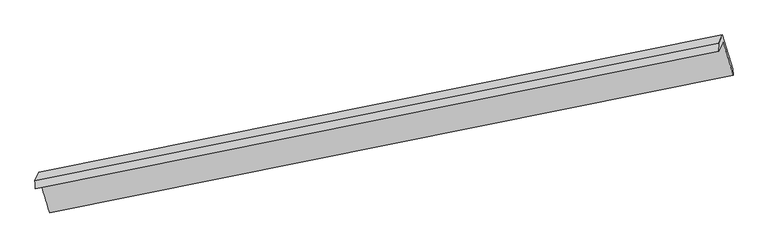
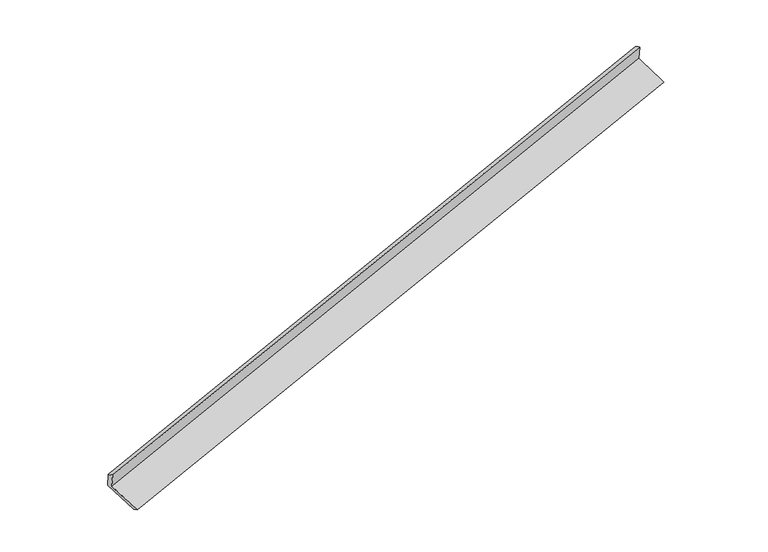
"""IFC4 building model written with IfcOpenShell, lengths in millimetres: proxy geometry."""

import ifcopenshell
import ifcopenshell.guid

model = None  # the IFC model being written
_history = None  # IfcOwnerHistory: only IFC2X3 demands one
_inside = {}  # id of a spatial element -> (the spatial element, [elements in it])
_under = {}  # id of a project, library or spatial element -> (it, [spatial elements below it])
_declared = {}  # id of a project -> (the project, [libraries it declares])
_typed = {}  # id of a type object -> (the type object, [elements of that type])
_made_of = {}  # id of a material, layer set ... -> (it, [elements and type objects made of it])


def new_model(schema):
    """Start an empty IFC model of exactly this schema.

    Asked for "IFC4X3", IfcOpenShell would pick the latest addendum, in which some entities
    have other attributes; the version numbers below select the first issue.
    IFC2X3 requires an IfcOwnerHistory on every rooted entity: one is made here for all.
    """
    global model, _history
    if schema == "IFC4X3":
        model = ifcopenshell.file(schema_version=(4, 3, 0, 0))
    else:
        model = ifcopenshell.file(schema=schema)
    _inside.clear()
    _under.clear()
    _declared.clear()
    _typed.clear()
    _made_of.clear()
    _history = None
    if model.schema == "IFC2X3":
        org = make("IfcOrganization", Name="unknown")
        user = make(
            "IfcPersonAndOrganization",
            ThePerson=make("IfcPerson", FamilyName="unknown"),
            TheOrganization=org,
        )
        app = make(
            "IfcApplication",
            ApplicationDeveloper=org,
            Version="unknown",
            ApplicationFullName="unknown",
            ApplicationIdentifier="unknown",
        )
        _history = make(
            "IfcOwnerHistory",
            OwningUser=user,
            OwningApplication=app,
            ChangeAction="ADDED",
            CreationDate=0,
        )
    return model


def make(cls, **values):
    """One entity of the class cls with the attributes given. An attribute that is None is left unset."""
    return model.create_entity(
        cls, **{name: value for name, value in values.items() if value is not None}
    )


def rooted(cls, **values):
    """An entity with a GlobalId (a new one), such as an element, a storey or a relation."""
    return make(cls, GlobalId=ifcopenshell.guid.new(), OwnerHistory=_history, **values)


def si_unit(unit_type, name, prefix=None):
    """IfcSIUnit, for example si_unit("LENGTHUNIT", "METRE", prefix="MILLI")."""
    return make("IfcSIUnit", UnitType=unit_type, Prefix=prefix, Name=name)


def assignment(units):
    """IfcUnitAssignment: the units of a project."""
    return None if units is None else make("IfcUnitAssignment", Units=units)


def point(xyz):
    """IfcCartesianPoint."""
    return None if xyz is None else make("IfcCartesianPoint", Coordinates=xyz)


def direction(xyz):
    """IfcDirection."""
    return None if xyz is None else make("IfcDirection", DirectionRatios=xyz)


def frame(location, z_axis=None, x_axis=None):
    """IfcAxis2Placement3D, a coordinate frame: its origin and axes. An axis left out is left unset."""
    return make(
        "IfcAxis2Placement3D",
        Location=point(location),
        Axis=direction(z_axis),
        RefDirection=direction(x_axis),
    )


def origin():
    """The frame at (0, 0, 0) with its axes left unset."""
    return frame((0.0, 0.0, 0.0))


def place(relative_to, where):
    """IfcLocalPlacement: puts the frame where relative to a parent placement (None: the world)."""
    return make(
        "IfcLocalPlacement", PlacementRelTo=relative_to, RelativePlacement=where
    )


def context(
    kind, dimensions, precision=None, world=None, true_north=None, identifier=None
):
    """IfcGeometricRepresentationContext, for example the 3D "Model" context."""
    return make(
        "IfcGeometricRepresentationContext",
        ContextIdentifier=identifier,
        ContextType=kind,
        CoordinateSpaceDimension=dimensions,
        Precision=precision,
        WorldCoordinateSystem=world,
        TrueNorth=true_north,
    )


def project(units=None, contexts=None):
    """IfcProject with its units and contexts."""
    return rooted(
        "IfcProject",
        Name="project",
        RepresentationContexts=contexts,
        UnitsInContext=assignment(units),
    )


def spatial(cls, under=None, at=None, **own):
    """A site, building, storey or space (cls), placed at a placement, below another one or the project."""
    s = rooted(cls, ObjectPlacement=at, **own)
    if under is not None:
        _under.setdefault(under.id(), (under, []))[1].append(s)
    return s


def shape(context_of_items, identifier, shape_type, items):
    """IfcShapeRepresentation: the items that make up one representation, for example the "Body"."""
    return make(
        "IfcShapeRepresentation",
        ContextOfItems=context_of_items,
        RepresentationIdentifier=identifier,
        RepresentationType=shape_type,
        Items=items,
    )


def source(mapping_origin, context_of_items, identifier, shape_type, items):
    """IfcRepresentationMap: a shape defined once, which mapped items show again and again."""
    return make(
        "IfcRepresentationMap",
        MappingOrigin=mapping_origin,
        MappedRepresentation=shape(context_of_items, identifier, shape_type, items),
    )


def transform(
    local_origin,
    x_axis=None,
    y_axis=None,
    z_axis=None,
    scale=None,
    scale2=None,
    scale3=None,
    uniform=True,
):
    """IfcCartesianTransformationOperator3D, or its non-uniform kind. x_axis, y_axis, z_axis: its Axis1, 2, 3."""
    if uniform:
        return make(
            "IfcCartesianTransformationOperator3D",
            Axis1=direction(x_axis),
            Axis2=direction(y_axis),
            LocalOrigin=point(local_origin),
            Scale=scale,
            Axis3=direction(z_axis),
        )
    return make(
        "IfcCartesianTransformationOperator3DnonUniform",
        Axis1=direction(x_axis),
        Axis2=direction(y_axis),
        LocalOrigin=point(local_origin),
        Scale=scale,
        Axis3=direction(z_axis),
        Scale2=scale2,
        Scale3=scale3,
    )


def mapped(mapping_source, mapping_target):
    """IfcMappedItem: shows the shape of a source again, moved by a transform."""
    return make(
        "IfcMappedItem", MappingSource=mapping_source, MappingTarget=mapping_target
    )


def made_of(thing, what):
    """Note that an element or type object is made of a material, layer set ...; save() writes the relation."""
    if what is not None:
        _made_of.setdefault(what.id(), (what, []))[1].append(thing)
    return thing


def element(
    cls,
    number,
    at=None,
    inside=None,
    cuts=None,
    type_object=None,
    material=None,
    context=None,
    identifier="Body",
    shape_type=None,
    held_by="IfcProductDefinitionShape",
    body=None,
    shapes=None,
    **own,
):
    """One element of the class cls, such as IfcWall. Its Tag is "e" and its number.

    at: its placement. inside: the storey or other place that contains it. cuts: it is an
    opening in that element (IfcRelVoidsElement). A single representation is given by context,
    identifier, shape_type and body (its items); several are given by shapes. held_by: the class
    of the entity that holds the representations. save() writes the other relations.
    """
    e = rooted(cls, Tag="e%d" % number, ObjectPlacement=at, **own)
    if body is not None:
        shapes = [shape(context, identifier, shape_type, body)]
    if shapes is not None:
        e.Representation = make(held_by, Representations=shapes)
    if inside is not None:
        _inside.setdefault(inside.id(), (inside, []))[1].append(e)
    if cuts is not None:
        rooted(
            "IfcRelVoidsElement", RelatingBuildingElement=cuts, RelatedOpeningElement=e
        )
    if type_object is not None:
        _typed.setdefault(type_object.id(), (type_object, []))[1].append(e)
    return made_of(e, material)


def aggregate(whole, parts):
    """IfcRelAggregates: a whole, such as a stair, and the parts it consists of."""
    return rooted("IfcRelAggregates", RelatingObject=whole, RelatedObjects=parts)


def save(model, path):
    """Write the relations noted so far, then the file.

    IfcRelAggregates (storeys below a building ...), IfcRelContainedInSpatialStructure (elements
    in a storey), IfcRelDefinesByType, IfcRelAssociatesMaterial and IfcRelDeclares: one each for
    every whole, place, type object, material and project.
    """
    for whole, parts in _under.values():
        aggregate(whole, parts)
    for where, things in _inside.values():
        rooted(
            "IfcRelContainedInSpatialStructure",
            RelatedElements=things,
            RelatingStructure=where,
        )
    for kind, things in _typed.values():
        rooted("IfcRelDefinesByType", RelatedObjects=things, RelatingType=kind)
    for what, things in _made_of.values():
        rooted("IfcRelAssociatesMaterial", RelatedObjects=things, RelatingMaterial=what)
    for by, libraries in _declared.values():
        rooted("IfcRelDeclares", RelatingContext=by, RelatedDefinitions=libraries)
    model.write(path)


def plane_surface(at):
    """IfcPlane: the flat surface through the origin of the frame at, square to its z axis."""
    return make("IfcPlane", Position=at)


def spline_surface(u_degree, v_degree, points, u_multiplicities, v_multiplicities, u_knots, v_knots, weights=None):
    """IfcBSplineSurfaceWithKnots; with weights, IfcRationalBSplineSurfaceWithKnots. points: one row for each step in u."""
    own = dict(
        UDegree=u_degree,
        VDegree=v_degree,
        ControlPointsList=[[point(p) for p in row] for row in points],
        SurfaceForm="UNSPECIFIED",
        UClosed=False,
        VClosed=False,
        SelfIntersect=False,
        UMultiplicities=u_multiplicities,
        VMultiplicities=v_multiplicities,
        UKnots=u_knots,
        VKnots=v_knots,
        KnotSpec="UNSPECIFIED",
    )
    if weights is None:
        return make("IfcBSplineSurfaceWithKnots", **own)
    return make("IfcRationalBSplineSurfaceWithKnots", WeightsData=weights, **own)


def advanced_brep(points, edges, surfaces, faces):
    """IfcAdvancedBrep: a solid bounded by faces that lie on surfaces and meet in shared edges.

    An edge is (start, end): straight between two places in points (the first is 0);
    or (start, end, curve); or (start, end, curve, False) where it runs against its curve.
    A face is (place in surfaces, loops), or (place, loops, False) where it looks against
    its surface's normal. A loop lists edges by number (the first is 1), with a minus sign
    where the edge is run from its end to its start. The first loop is the outer one.
    """
    corners = [point(p) for p in points]
    vertices = [make("IfcVertexPoint", VertexGeometry=c) for c in corners]
    made = []
    for start, end, *more in edges:
        made.append(
            make(
                "IfcEdgeCurve",
                EdgeStart=vertices[start],
                EdgeEnd=vertices[end],
                EdgeGeometry=more[0] if more else make("IfcPolyline", Points=[corners[start], corners[end]]),
                SameSense=more[1] if len(more) > 1 else True,
            )
        )
    hull = []
    for where, loops, *sense in faces:
        bounds = []
        for j, loop in enumerate(loops):
            ring = [make("IfcOrientedEdge", EdgeElement=made[abs(k) - 1], Orientation=k > 0) for k in loop]
            bounds.append(
                make(
                    "IfcFaceOuterBound" if j == 0 else "IfcFaceBound",
                    Bound=make("IfcEdgeLoop", EdgeList=ring),
                    Orientation=True,
                )
            )
        hull.append(make("IfcAdvancedFace", Bounds=bounds, FaceSurface=surfaces[where], SameSense=sense[0] if sense else True))
    return make("IfcAdvancedBrep", Outer=make("IfcClosedShell", CfsFaces=hull))


def generic_models_f9ba0045(model_context):
    return source(origin(), model_context, "Body", "AdvancedBrep", [
        advanced_brep(
        [(-9741.9033003, -2838.281724, 363.8358725), (-9660.5245391, -2661.9490635, -41.842985), (3869.403918, 58.4992188, 3852.0027291), (3788.0251568, -117.8334417, 4257.6815866), (-9751.3158394, -2684.4762362, 288.0026856), (3779.3207366, 36.1140112, 4182.0521543), (-9673.8604108, -2516.6447087, -98.1180824), (3856.7761651, 203.9455387, 3795.9313862), (-9467.0239551, -3180.8597582, -345.3350878), (4059.0907952, -461.1760551, 3547.4132681), (-9457.8588507, -3312.7705049, -284.0749667), (4067.6389614, -593.2104868, 3608.495871)],
        [
            (0, 1),
            (1, 2),
            (2, 3),
            (3, 0),
            (4, 0),
            (3, 5),
            (5, 4),
            (6, 4),
            (5, 7),
            (7, 6),
            (8, 6),
            (7, 9),
            (9, 8),
            (10, 8),
            (9, 11),
            (11, 10),
            (1, 10),
            (11, 2),
        ],
        [
            plane_surface(frame((-9701.2139197, -2750.1153938, 160.9964438), z_axis=(0.2775801737247716, -0.9001819962619375, -0.33559144917711936), x_axis=(0.180935066707043, 0.3920526835452286, -0.9019740544831114))),
            spline_surface(1, 1, [[(-9751.3158394, -2684.4762362, 288.0026856), (3779.3207366, 36.1140112, 4182.0521543)], [(-9741.9033003, -2838.281724, 363.8358725), (3788.0251568, -117.8334417, 4257.6815866)]], [2, 2], [2, 2], [0.0, 1.0], [0.0, 1.0]),
            plane_surface(frame((-9712.5881251, -2600.5604724, 94.9423016), z_axis=(-0.2775801482551437, 0.9001820013814028, 0.3355914565116709), x_axis=(-0.18093506670702197, -0.39205268354534506, 0.901974054483065))),
            spline_surface(1, 1, [[(-9467.0239551, -3180.8597582, -345.3350878), (4059.0907952, -461.1760551, 3547.4132681)], [(-9673.8604108, -2516.6447087, -98.1180824), (3856.7761651, 203.9455387, 3795.9313862)]], [2, 2], [2, 2], [0.0, 1.0], [0.0, 1.0]),
            spline_surface(1, 1, [[(-9457.8588507, -3312.7705049, -284.0749667), (4067.6389614, -593.2104868, 3608.495871)], [(-9467.0239551, -3180.8597582, -345.3350878), (4059.0907952, -461.1760551, 3547.4132681)]], [2, 2], [2, 2], [0.0, 1.0], [0.0, 1.0]),
            spline_surface(1, 1, [[(-9660.5245391, -2661.9490635, -41.842985), (3869.403918, 58.4992188, 3852.0027291)], [(-9457.8588507, -3312.7705049, -284.0749667), (4067.6389614, -593.2104868, 3608.495871)]], [2, 2], [2, 2], [0.0, 1.0], [0.0, 1.0]),
            plane_surface(frame((3903.3759555, -145.6102025, 3873.9294992), z_axis=(0.9445476574487057, 0.18626286750724036, 0.2704364379963297), x_axis=(-0.274029605050047, 0.9008889151903785, 0.33661095948174113))),
            plane_surface(frame((-9625.4144826, -2865.8303326, -19.5887606), z_axis=(-0.9427492102378663, -0.19210604344069138, -0.27261547034136335), x_axis=(-0.1809350667070833, -0.39205268354522843, 0.9019740544831034))),
        ],
        [
            (0, [[1, 2, 3, 4]]),
            (1, [[5, -4, 6, 7]]),
            (2, [[8, -7, 9, 10]]),
            (3, [[11, -10, 12, 13]]),
            (4, [[14, -13, 15, 16]]),
            (5, [[17, -16, 18, -2]]),
            (6, [[-12, -9, -6, -3, -18, -15]]),
            (7, [[-1, -5, -8, -11, -14, -17]]),
        ],
    ),
    ])


if __name__ == "__main__":
    model = new_model("IFC4")
    model_context = context("Model", 3, world=origin())
    ifc_project = project(units=[si_unit("LENGTHUNIT", "METRE", prefix="MILLI")], contexts=[model_context])
    site = spatial("IfcSite", under=ifc_project)
    building = spatial("IfcBuilding", under=site)
    placement = place(None, origin())
    generic_models_shape = generic_models_f9ba0045(model_context)
    element("IfcBuildingElementProxy", 1, Name="Generic Models", at=placement, inside=building, context=model_context, shape_type="MappedRepresentation", body=[
        mapped(generic_models_shape, transform((0.0, 0.0, 0.0), x_axis=(1.0, 0.0, 0.0), y_axis=(0.0, 1.0, 0.0), z_axis=(0.0, 0.0, 1.0))),
    ])
    save(model, "model.ifc")
